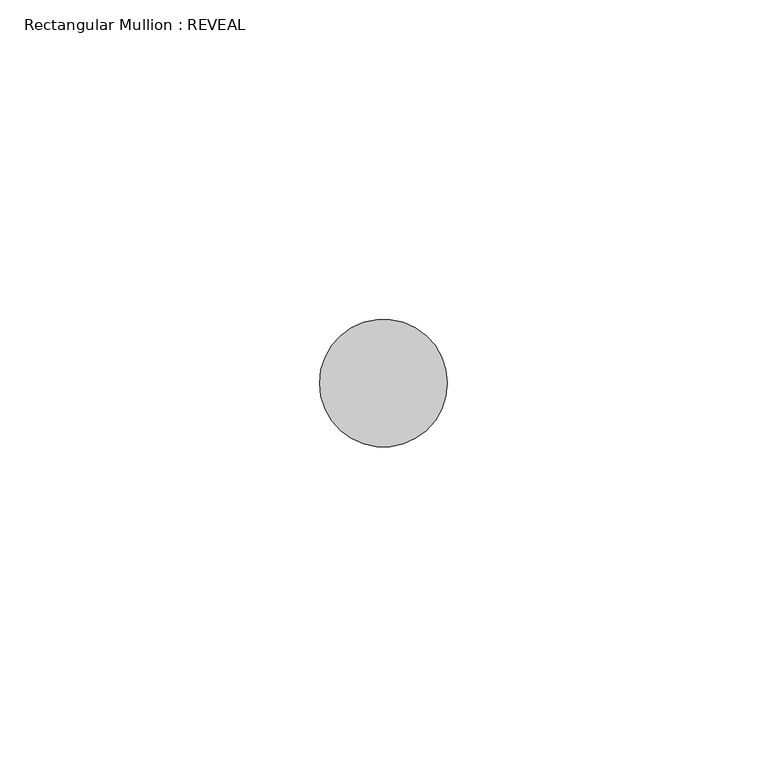
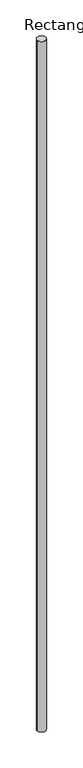
"""IFC4 building model written with IfcOpenShell, lengths in millimetres: member geometry, Rectangular Mullion : REVEAL."""

from ifc_helpers import new_model, si_unit, point, frame, frame_2d, origin, place, context, project, spatial, circle_curve, trimmed, segment, composite_curve, outline, extrude, source, transform, mapped, element, save


def rectangular_mullion_reveal_94f864bc(model_context):
    return source(origin(), model_context, "Body", "SweptSolid", [
        extrude(outline(composite_curve([segment(trimmed(circle_curve(frame_2d((0.0, 50.0)), 10.0), [point((10.0, 50.0))], [point((-10.0, 50.0))], False, "CARTESIAN"), True, "CONTINUOUS"), segment(trimmed(circle_curve(frame_2d((0.0, 50.0)), 10.0), [point((-10.0, 50.0))], [point((10.0, 50.0))], False, "CARTESIAN"), True, "CONTINUOUS")], self_intersect=False)), frame((0.0, 0.0, -1686.2934936), z_axis=(0.0, 0.0, 1.0), x_axis=(1.0, 0.0, 0.0)), (0.0, 0.0, 1.0), 1686.2934936),
    ])


if __name__ == "__main__":
    model = new_model("IFC4")
    model_context = context("Model", 3, world=origin())
    ifc_project = project(units=[si_unit("LENGTHUNIT", "METRE", prefix="MILLI")], contexts=[model_context])
    site = spatial("IfcSite", under=ifc_project)
    building = spatial("IfcBuilding", under=site)
    placement = place(None, origin())
    rectangular_mullion_reveal_shape = rectangular_mullion_reveal_94f864bc(model_context)
    element("IfcMember", 1, ObjectType="Rectangular Mullion : REVEAL", at=placement, inside=building, context=model_context, shape_type="MappedRepresentation", body=[
        mapped(rectangular_mullion_reveal_shape, transform((0.0, 0.0, 0.0), x_axis=(1.0, 0.0, 0.0), y_axis=(0.0, 1.0, 0.0), z_axis=(0.0, 0.0, 1.0))),
    ])
    save(model, "model.ifc")
